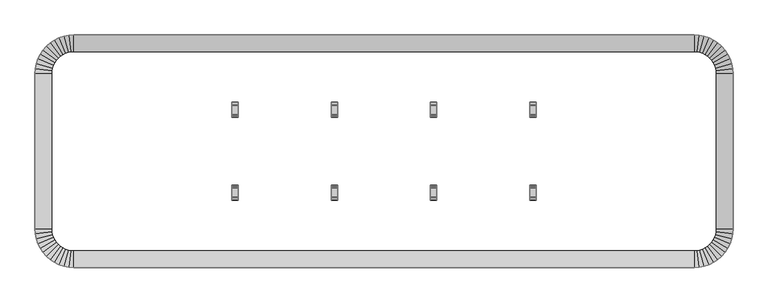
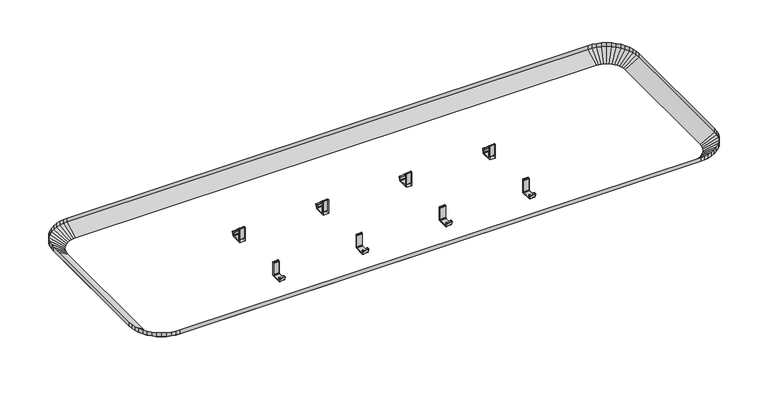
"""IFC4 building model written with IfcOpenShell, lengths in millimetres: furniture geometry."""

from ifc_helpers import new_model, si_unit, origin, place, context, project, spatial, triangles, source, transform, mapped, element, save


def furniture_05697d61(model_context):
    return source(origin(), model_context, "Body", "Tessellation", [
        triangles([(1727.1999516, -43.9940897, 1028.7), (1727.1999516, 0.0, 1054.0999758), (101.600003, 0.0, 1054.0999758), (101.600003, -43.9940897, 1028.7), (101.600003, -565.6059194, 1028.7), (101.600003, -609.6, 1054.0999758), (1727.1999516, -609.6, 1054.0999758), (1727.1999516, -565.6059194, 1028.7), (43.9940897, -101.600003, 1028.7), (0.0, -101.600003, 1054.0999758), (0.0, -507.9999879, 1054.0999758), (43.9940897, -507.9999879, 1028.7), (44.4869148, -515.5190784, 1028.7), (0.8692021, -521.2614604, 1054.0999758), (3.4619361, -534.2960209, 1054.0999758), (45.956965, -522.9095066, 1028.7), (48.3790782, -530.0448269, 1028.7), (7.7338393, -546.8806452, 1054.0999758), (13.611819, -558.8000121, 1054.0999758), (51.711819, -536.8029536, 1028.7), (55.8981596, -543.0682689, 1028.7), (20.9953005, -569.8501734, 1054.0999758), (29.7579515, -579.8420417, 1054.0999758), (60.8664701, -548.7335117, 1028.7), (66.5317448, -553.7018495, 1028.7), (39.7498402, -588.6046972, 1054.0999758), (50.8000015, -595.9881855, 1054.0999758), (72.7970464, -557.8881855, 1028.7), (79.5551731, -561.2209036, 1028.7), (62.7193639, -601.8661697, 1054.0999758), (75.3039837, -606.1380747, 1054.0999758), (86.6904934, -563.6430305, 1028.7), (88.3385396, -608.7307943, 1054.0999758), (94.0809216, -565.1130715, 1028.7), (0.8692021, -88.3385396, 1054.0999758), (44.4869148, -94.0809216, 1028.7), (45.956965, -86.6904934, 1028.7), (3.4619361, -75.3039837, 1054.0999758), (7.7338393, -62.7193639, 1054.0999758), (48.3790782, -79.5551731, 1028.7), (51.711819, -72.7970464, 1028.7), (13.611819, -50.8000015, 1054.0999758), (20.9953005, -39.7498402, 1054.0999758), (55.8981596, -66.5317448, 1028.7), (60.8664701, -60.8664701, 1028.7), (29.7579515, -29.7579515, 1054.0999758), (39.7498402, -20.9953005, 1054.0999758), (66.5317448, -55.8981596, 1028.7), (72.7970464, -51.711819, 1028.7), (50.8000015, -13.611819, 1054.0999758), (62.7193639, -7.7338393, 1054.0999758), (79.5551731, -48.3790782, 1028.7), (86.6904934, -45.956965, 1028.7), (75.3039837, -3.4619361, 1054.0999758), (88.3385396, -0.8692021, 1054.0999758), (94.0809216, -44.4869148, 1028.7), (1784.805883, -507.9999879, 1028.7), (1828.8, -507.9999879, 1054.0999758), (1828.8, -101.600003, 1054.0999758), (1784.805883, -101.600003, 1028.7), (1827.930867, -521.2614604, 1054.0999758), (1784.3130352, -515.5190784, 1028.7), (1782.8430668, -522.9095066, 1028.7), (1825.338002, -534.2960209, 1054.0999758), (1821.0661697, -546.8806452, 1054.0999758), (1780.4209763, -530.0448269, 1028.7), (1777.0881855, -536.8029536, 1028.7), (1815.1881855, -558.8000121, 1054.0999758), (1807.8047699, -569.8501734, 1054.0999758), (1772.9018131, -543.0682689, 1028.7), (1767.9335117, -548.7335117, 1028.7), (1799.042078, -579.8420417, 1054.0999758), (1789.0501007, -588.6046972, 1054.0999758), (1762.2683052, -553.7018495, 1028.7), (1756.00299, -557.8881855, 1028.7), (1778.0000484, -595.9881855, 1054.0999758), (1766.0805725, -601.8661697, 1054.0999758), (1749.2448269, -561.2209036, 1028.7), (1742.1095066, -563.6430305, 1028.7), (1753.4960209, -606.1380747, 1054.0999758), (1740.4614967, -608.7307943, 1054.0999758), (1734.7191147, -565.1130715, 1028.7), (1784.3130352, -94.0809216, 1028.7), (1827.930867, -88.3385396, 1054.0999758), (1782.8430668, -86.6904934, 1028.7), (1825.338002, -75.3039837, 1054.0999758), (1780.4209763, -79.5551731, 1028.7), (1821.0661697, -62.7193639, 1054.0999758), (1777.0881855, -72.7970464, 1028.7), (1815.1881855, -50.8000015, 1054.0999758), (1772.9018131, -66.5317448, 1028.7), (1807.8047699, -39.7498402, 1054.0999758), (1767.9335117, -60.8664701, 1028.7), (1799.042078, -29.7579515, 1054.0999758), (1762.2683052, -55.8981596, 1028.7), (1789.0501007, -20.9953005, 1054.0999758), (1756.00299, -51.711819, 1028.7), (1778.0000484, -13.611819, 1054.0999758), (1749.2448269, -48.3790782, 1028.7), (1766.0805725, -7.7338393, 1054.0999758), (1742.1095066, -45.956965, 1028.7), (1753.4960209, -3.4619361, 1054.0999758), (1734.7191147, -44.4869148, 1028.7), (1740.4614967, -0.8692021, 1054.0999758)], [[1, 2, 3], [1, 3, 4], [5, 6, 7], [5, 7, 8], [9, 10, 11], [9, 11, 12], [11, 12, 13], [11, 13, 14], [13, 14, 15], [13, 15, 16], [15, 16, 17], [15, 17, 18], [17, 18, 19], [17, 19, 20], [19, 20, 21], [19, 21, 22], [21, 22, 23], [21, 23, 24], [23, 24, 25], [23, 25, 26], [25, 26, 27], [25, 27, 28], [27, 28, 29], [27, 29, 30], [29, 30, 31], [29, 31, 32], [31, 32, 33], [32, 34, 33], [34, 33, 6], [34, 6, 5], [35, 36, 10], [36, 9, 10], [37, 38, 35], [37, 35, 36], [39, 40, 38], [40, 37, 38], [41, 42, 39], [41, 39, 40], [43, 44, 41], [43, 41, 42], [45, 46, 43], [45, 43, 44], [47, 48, 45], [47, 45, 46], [49, 50, 47], [49, 47, 48], [51, 52, 49], [51, 49, 50], [53, 54, 51], [53, 51, 52], [55, 56, 53], [55, 53, 54], [4, 3, 56], [3, 55, 56], [57, 58, 59], [57, 59, 60], [61, 62, 57], [61, 57, 58], [63, 64, 61], [63, 61, 62], [65, 66, 63], [65, 63, 64], [67, 68, 65], [67, 65, 66], [69, 70, 67], [69, 67, 68], [71, 72, 69], [71, 69, 70], [73, 74, 71], [73, 71, 72], [75, 76, 73], [75, 73, 74], [77, 78, 75], [77, 75, 76], [79, 80, 77], [79, 77, 78], [81, 82, 79], [81, 79, 80], [8, 7, 81], [8, 81, 82], [59, 60, 83], [59, 83, 84], [83, 84, 85], [84, 86, 85], [86, 85, 87], [86, 87, 88], [87, 88, 89], [88, 90, 89], [90, 89, 91], [90, 91, 92], [91, 92, 93], [92, 94, 93], [94, 93, 95], [94, 95, 96], [95, 96, 97], [96, 98, 97], [98, 97, 99], [98, 99, 100], [99, 100, 101], [100, 102, 101], [102, 101, 103], [102, 103, 104], [103, 104, 1], [104, 2, 1]], closed=False),
        triangles([(101.600003, -609.6, 1066.8), (101.600003, -609.6, 1054.0999758), (1727.1999516, -609.6, 1054.0999758), (1727.1999516, -609.6, 1066.8), (101.600003, 0.0, 1066.8), (101.600003, 0.0, 1054.0999758), (1727.1999516, 0.0, 1054.0999758), (1727.1999516, 0.0, 1066.8), (0.0, -101.600003, 1066.8), (0.0, -101.600003, 1054.0999758), (0.0, -507.9999879, 1054.0999758), (0.0, -507.9999879, 1066.8), (0.8692021, -521.2614604, 1066.8), (0.8692021, -521.2614604, 1054.0999758), (3.4619361, -534.2960209, 1066.8), (3.4619361, -534.2960209, 1054.0999758), (7.7338393, -546.8806452, 1066.8), (7.7338393, -546.8806452, 1054.0999758), (13.611819, -558.8000121, 1066.8), (13.611819, -558.8000121, 1054.0999758), (20.9953005, -569.8501734, 1066.8), (20.9953005, -569.8501734, 1054.0999758), (29.7579515, -579.8420417, 1066.8), (29.7579515, -579.8420417, 1054.0999758), (39.7498402, -588.6046972, 1066.8), (39.7498402, -588.6046972, 1054.0999758), (50.8000015, -595.9881855, 1066.8), (50.8000015, -595.9881855, 1054.0999758), (62.7193639, -601.8661697, 1066.8), (62.7193639, -601.8661697, 1054.0999758), (75.3039837, -606.1380747, 1066.8), (75.3039837, -606.1380747, 1054.0999758), (88.3385396, -608.7307943, 1066.8), (88.3385396, -608.7307943, 1054.0999758), (0.8692021, -88.3385396, 1066.8), (0.8692021, -88.3385396, 1054.0999758), (3.4619361, -75.3039837, 1054.0999758), (3.4619361, -75.3039837, 1066.8), (7.7338393, -62.7193639, 1066.8), (7.7338393, -62.7193639, 1054.0999758), (13.611819, -50.8000015, 1054.0999758), (13.611819, -50.8000015, 1066.8), (20.9953005, -39.7498402, 1066.8), (20.9953005, -39.7498402, 1054.0999758), (29.7579515, -29.7579515, 1054.0999758), (29.7579515, -29.7579515, 1066.8), (39.7498402, -20.9953005, 1066.8), (39.7498402, -20.9953005, 1054.0999758), (50.8000015, -13.611819, 1054.0999758), (50.8000015, -13.611819, 1066.8), (62.7193639, -7.7338393, 1066.8), (62.7193639, -7.7338393, 1054.0999758), (75.3039837, -3.4619361, 1054.0999758), (75.3039837, -3.4619361, 1066.8), (88.3385396, -0.8692021, 1066.8), (88.3385396, -0.8692021, 1054.0999758), (1828.8, -507.9999879, 1066.8), (1828.8, -507.9999879, 1054.0999758), (1828.8, -101.600003, 1054.0999758), (1828.8, -101.600003, 1066.8), (1827.930867, -521.2614604, 1066.8), (1827.930867, -521.2614604, 1054.0999758), (1825.338002, -534.2960209, 1054.0999758), (1825.338002, -534.2960209, 1066.8), (1821.0661697, -546.8806452, 1066.8), (1821.0661697, -546.8806452, 1054.0999758), (1815.1881855, -558.8000121, 1054.0999758), (1815.1881855, -558.8000121, 1066.8), (1807.8047699, -569.8501734, 1066.8), (1807.8047699, -569.8501734, 1054.0999758), (1799.042078, -579.8420417, 1054.0999758), (1799.042078, -579.8420417, 1066.8), (1789.0501007, -588.6046972, 1066.8), (1789.0501007, -588.6046972, 1054.0999758), (1778.0000484, -595.9881855, 1054.0999758), (1778.0000484, -595.9881855, 1066.8), (1766.0805725, -601.8661697, 1066.8), (1766.0805725, -601.8661697, 1054.0999758), (1753.4960209, -606.1380747, 1054.0999758), (1753.4960209, -606.1380747, 1066.8), (1740.4614967, -608.7307943, 1066.8), (1740.4614967, -608.7307943, 1054.0999758), (1827.930867, -88.3385396, 1054.0999758), (1827.930867, -88.3385396, 1066.8), (1825.338002, -75.3039837, 1066.8), (1825.338002, -75.3039837, 1054.0999758), (1821.0661697, -62.7193639, 1054.0999758), (1821.0661697, -62.7193639, 1066.8), (1815.1881855, -50.8000015, 1066.8), (1815.1881855, -50.8000015, 1054.0999758), (1807.8047699, -39.7498402, 1054.0999758), (1807.8047699, -39.7498402, 1066.8), (1799.042078, -29.7579515, 1054.0999758), (1799.042078, -29.7579515, 1066.8), (1789.0501007, -20.9953005, 1054.0999758), (1789.0501007, -20.9953005, 1066.8), (1778.0000484, -13.611819, 1054.0999758), (1778.0000484, -13.611819, 1066.8), (1766.0805725, -7.7338393, 1054.0999758), (1766.0805725, -7.7338393, 1066.8), (1753.4960209, -3.4619361, 1054.0999758), (1753.4960209, -3.4619361, 1066.8), (1740.4614967, -0.8692021, 1054.0999758), (1740.4614967, -0.8692021, 1066.8)], [[1, 2, 3], [1, 3, 4], [5, 6, 7], [5, 7, 8], [9, 10, 11], [9, 11, 12], [12, 11, 13], [11, 14, 13], [14, 13, 15], [14, 15, 16], [15, 16, 17], [16, 18, 17], [18, 17, 19], [18, 19, 20], [19, 20, 21], [20, 22, 21], [22, 21, 23], [22, 23, 24], [23, 24, 25], [24, 26, 25], [26, 25, 27], [26, 27, 28], [27, 28, 29], [28, 30, 29], [30, 29, 31], [30, 31, 32], [31, 32, 33], [32, 34, 33], [34, 33, 1], [34, 1, 2], [35, 36, 9], [36, 10, 9], [37, 38, 35], [37, 35, 36], [39, 40, 38], [40, 37, 38], [41, 42, 39], [41, 39, 40], [43, 44, 42], [44, 41, 42], [45, 46, 43], [45, 43, 44], [47, 48, 45], [47, 45, 46], [49, 50, 47], [49, 47, 48], [51, 52, 49], [51, 49, 50], [53, 54, 51], [53, 51, 52], [55, 56, 53], [55, 53, 54], [6, 5, 55], [6, 55, 56], [57, 58, 59], [57, 59, 60], [61, 62, 58], [61, 58, 57], [63, 64, 61], [63, 61, 62], [65, 66, 64], [66, 63, 64], [67, 68, 65], [67, 65, 66], [69, 70, 68], [70, 67, 68], [71, 72, 69], [71, 69, 70], [73, 74, 72], [74, 71, 72], [75, 76, 73], [75, 73, 74], [77, 78, 75], [77, 75, 76], [79, 80, 77], [79, 77, 78], [81, 82, 79], [81, 79, 80], [3, 4, 81], [3, 81, 82], [60, 59, 83], [60, 83, 84], [83, 84, 85], [83, 85, 86], [85, 86, 87], [85, 87, 88], [87, 88, 89], [87, 89, 90], [89, 90, 91], [89, 91, 92], [91, 92, 93], [92, 94, 93], [94, 93, 95], [94, 95, 96], [95, 96, 97], [96, 98, 97], [98, 97, 99], [98, 99, 100], [99, 100, 101], [100, 102, 101], [102, 101, 103], [102, 103, 104], [103, 104, 7], [104, 8, 7]], closed=False),
        triangles([(532.3665965, -393.8723974, 971.2705839), (532.3665965, -428.3354101, 971.2705839), (515.3666167, -393.8723974, 971.2705839), (515.3666167, -428.3354101, 971.2705839), (532.3665965, -429.0530262, 971.7762943), (532.3665965, -433.5087135, 984.252277), (515.3666167, -433.5087135, 984.252277), (515.3666167, -429.0530262, 971.7762943), (515.3666167, -428.7743368, 971.4097469), (532.3665965, -428.7743368, 971.4097469), (532.3665965, -393.8723974, 1016.2705988), (515.3666167, -393.8723974, 1016.2705988), (515.3666167, -396.4911329, 1016.2705988), (532.3665965, -396.4911329, 1016.2705988), (532.3665965, -398.8723829, 1013.8893488), (515.3666167, -398.8723829, 1013.8893488), (515.3666167, -398.8723829, 977.6582027), (532.3665965, -398.8723829, 977.6582027), (515.3666167, -427.6343991, 985.2706015), (515.3666167, -432.7911338, 985.2706015), (532.3665965, -432.7911338, 985.2706015), (532.3665965, -427.6343991, 985.2706015), (532.3665965, -401.2599916, 975.2706305), (515.3666167, -401.2599916, 975.2706305), (532.3665965, -424.4848094, 975.2706305), (515.3666167, -424.4848094, 975.2706305), (532.3665965, -426.872418, 984.508584), (515.3666167, -426.872418, 984.508584), (515.3666167, -426.872418, 977.6582027), (532.3665965, -426.872418, 977.6582027), (515.3666167, -397.4024145, 1016.0893599), (532.3665965, -397.4024145, 1016.0893599), (515.3666167, -398.1749328, 1015.5731123), (532.3665965, -398.1749328, 1015.5731123), (515.3666167, -398.691144, 1014.8006304), (532.3665965, -398.691144, 1014.8006304), (515.3666167, -399.0541306, 976.744523), (532.3665965, -399.0541306, 976.744523), (515.3666167, -399.5717225, 975.9699337), (532.3665965, -399.5717225, 975.9699337), (515.3666167, -400.3463119, 975.4523781), (532.3665965, -400.3463119, 975.4523781), (515.3666167, -426.6906704, 976.744523), (532.3665965, -426.6906704, 976.744523), (515.3666167, -426.1730784, 975.9699337), (532.3665965, -426.1730784, 975.9699337), (515.3666167, -425.3984891, 975.4523781), (532.3665965, -425.3984891, 975.4523781), (515.3666167, -433.1419481, 985.1850689), (532.3665965, -433.1419481, 985.1850689), (515.3666167, -433.4139882, 984.9475834), (532.3665965, -433.4139882, 984.9475834), (515.3666167, -433.5461386, 984.6114847), (532.3665965, -433.5461386, 984.6114847), (515.3666167, -426.974483, 984.8895927), (515.3666167, -427.2533904, 985.1685001), (532.3665965, -426.974483, 984.8895927), (532.3665965, -427.2533904, 985.1685001), (792.7165844, -393.8723974, 971.2705839), (792.7165844, -428.3354101, 971.2705839), (775.7166046, -393.8723974, 971.2705839), (775.7166046, -428.3354101, 971.2705839), (792.7165844, -429.0530262, 971.7762943), (792.7165844, -433.5087135, 984.252277), (775.7166046, -433.5087135, 984.252277), (775.7166046, -429.0530262, 971.7762943), (775.7166046, -428.7743368, 971.4097469), (792.7165844, -428.7743368, 971.4097469), (792.7165844, -393.8723974, 1016.2705988), (775.7166046, -393.8723974, 1016.2705988), (775.7166046, -396.4911329, 1016.2705988), (792.7165844, -396.4911329, 1016.2705988), (792.7165844, -398.8723829, 1013.8893488), (775.7166046, -398.8723829, 1013.8893488), (775.7166046, -398.8723829, 977.6582027), (792.7165844, -398.8723829, 977.6582027), (775.7166046, -427.6343991, 985.2706015), (775.7166046, -432.7911338, 985.2706015), (792.7165844, -432.7911338, 985.2706015), (792.7165844, -427.6343991, 985.2706015), (792.7165844, -401.2599916, 975.2706305), (775.7166046, -401.2599916, 975.2706305), (792.7165844, -424.4848094, 975.2706305), (775.7166046, -424.4848094, 975.2706305), (792.7165844, -426.872418, 984.508584), (775.7166046, -426.872418, 984.508584), (775.7166046, -426.872418, 977.6582027), (792.7165844, -426.872418, 977.6582027), (775.7166046, -397.4024145, 1016.0893599), (792.7165844, -397.4024145, 1016.0893599), (775.7166046, -398.1749328, 1015.5731123), (792.7165844, -398.1749328, 1015.5731123), (775.7166046, -398.691144, 1014.8006304), (792.7165844, -398.691144, 1014.8006304), (775.7166046, -399.0541306, 976.744523), (792.7165844, -399.0541306, 976.744523), (775.7166046, -399.5717225, 975.9699337), (792.7165844, -399.5717225, 975.9699337), (775.7166046, -400.3463119, 975.4523781), (792.7165844, -400.3463119, 975.4523781), (775.7166046, -426.6906704, 976.744523), (792.7165844, -426.6906704, 976.744523), (775.7166046, -426.1730784, 975.9699337), (792.7165844, -426.1730784, 975.9699337), (775.7166046, -425.3984891, 975.4523781), (792.7165844, -425.3984891, 975.4523781), (775.7166046, -433.1419481, 985.1850689), (792.7165844, -433.1419481, 985.1850689), (775.7166046, -433.4139882, 984.9475834), (792.7165844, -433.4139882, 984.9475834), (775.7166046, -433.5461386, 984.6114847), (792.7165844, -433.5461386, 984.6114847), (775.7166046, -426.974483, 984.8895927), (775.7166046, -427.2533904, 985.1685001), (792.7165844, -426.974483, 984.8895927), (792.7165844, -427.2533904, 985.1685001), (1053.0666086, -393.8723974, 971.2705839), (1053.0666086, -428.3354101, 971.2705839), (1036.0666288, -393.8723974, 971.2705839), (1036.0666288, -428.3354101, 971.2705839), (1053.0666086, -429.0530262, 971.7762943), (1053.0666086, -433.5087135, 984.252277), (1036.0666288, -433.5087135, 984.252277), (1036.0666288, -429.0530262, 971.7762943), (1036.0666288, -428.7743368, 971.4097469), (1053.0666086, -428.7743368, 971.4097469), (1053.0666086, -393.8723974, 1016.2705988), (1036.0666288, -393.8723974, 1016.2705988), (1036.0666288, -396.4911329, 1016.2705988), (1053.0666086, -396.4911329, 1016.2705988), (1053.0666086, -398.8723829, 1013.8893488), (1036.0666288, -398.8723829, 1013.8893488), (1036.0666288, -398.8723829, 977.6582027), (1053.0666086, -398.8723829, 977.6582027), (1036.0666288, -427.6343991, 985.2706015), (1036.0666288, -432.7911338, 985.2706015), (1053.0666086, -432.7911338, 985.2706015), (1053.0666086, -427.6343991, 985.2706015), (1053.0666086, -401.2599916, 975.2706305), (1036.0666288, -401.2599916, 975.2706305), (1053.0666086, -424.4848094, 975.2706305), (1036.0666288, -424.4848094, 975.2706305), (1053.0666086, -426.872418, 984.508584), (1036.0666288, -426.872418, 984.508584), (1036.0666288, -426.872418, 977.6582027), (1053.0666086, -426.872418, 977.6582027), (1036.0666288, -397.4024145, 1016.0893599), (1053.0666086, -397.4024145, 1016.0893599), (1036.0666288, -398.1749328, 1015.5731123), (1053.0666086, -398.1749328, 1015.5731123), (1036.0666288, -398.691144, 1014.8006304), (1053.0666086, -398.691144, 1014.8006304), (1036.0666288, -399.0541306, 976.744523), (1053.0666086, -399.0541306, 976.744523), (1036.0666288, -399.5717225, 975.9699337), (1053.0666086, -399.5717225, 975.9699337), (1036.0666288, -400.3463119, 975.4523781), (1053.0666086, -400.3463119, 975.4523781), (1036.0666288, -426.6906704, 976.744523), (1053.0666086, -426.6906704, 976.744523), (1036.0666288, -426.1730784, 975.9699337), (1053.0666086, -426.1730784, 975.9699337), (1036.0666288, -425.3984891, 975.4523781), (1053.0666086, -425.3984891, 975.4523781), (1036.0666288, -433.1419481, 985.1850689), (1053.0666086, -433.1419481, 985.1850689), (1036.0666288, -433.4139882, 984.9475834), (1053.0666086, -433.4139882, 984.9475834), (1036.0666288, -433.5461386, 984.6114847), (1053.0666086, -433.5461386, 984.6114847), (1036.0666288, -426.974483, 984.8895927), (1036.0666288, -427.2533904, 985.1685001), (1053.0666086, -426.974483, 984.8895927), (1053.0666086, -427.2533904, 985.1685001), (1313.4166328, -393.8723974, 971.2705839), (1313.4166328, -428.3354101, 971.2705839), (1296.4166531, -393.8723974, 971.2705839), (1296.4166531, -428.3354101, 971.2705839), (1313.4166328, -429.0530262, 971.7762943), (1313.4166328, -433.5087135, 984.252277), (1296.4166531, -433.5087135, 984.252277), (1296.4166531, -429.0530262, 971.7762943), (1296.4166531, -428.7743368, 971.4097469), (1313.4166328, -428.7743368, 971.4097469), (1313.4166328, -393.8723974, 1016.2705988), (1296.4166531, -393.8723974, 1016.2705988), (1296.4166531, -396.4911329, 1016.2705988), (1313.4166328, -396.4911329, 1016.2705988), (1313.4166328, -398.8723829, 1013.8893488), (1296.4166531, -398.8723829, 1013.8893488), (1296.4166531, -398.8723829, 977.6582027), (1313.4166328, -398.8723829, 977.6582027), (1296.4166531, -427.6343991, 985.2706015), (1296.4166531, -432.7911338, 985.2706015), (1313.4166328, -432.7911338, 985.2706015), (1313.4166328, -427.6343991, 985.2706015), (1313.4166328, -401.2599916, 975.2706305), (1296.4166531, -401.2599916, 975.2706305), (1313.4166328, -424.4848094, 975.2706305), (1296.4166531, -424.4848094, 975.2706305), (1313.4166328, -426.872418, 984.508584), (1296.4166531, -426.872418, 984.508584), (1296.4166531, -426.872418, 977.6582027), (1313.4166328, -426.872418, 977.6582027), (1296.4166531, -397.4024145, 1016.0893599), (1313.4166328, -397.4024145, 1016.0893599), (1296.4166531, -398.1749328, 1015.5731123), (1313.4166328, -398.1749328, 1015.5731123), (1296.4166531, -398.691144, 1014.8006304), (1313.4166328, -398.691144, 1014.8006304), (1296.4166531, -399.0541306, 976.744523), (1313.4166328, -399.0541306, 976.744523), (1296.4166531, -399.5717225, 975.9699337), (1313.4166328, -399.5717225, 975.9699337), (1296.4166531, -400.3463119, 975.4523781), (1313.4166328, -400.3463119, 975.4523781), (1296.4166531, -426.6906704, 976.744523), (1313.4166328, -426.6906704, 976.744523), (1296.4166531, -426.1730784, 975.9699337), (1313.4166328, -426.1730784, 975.9699337), (1296.4166531, -425.3984891, 975.4523781), (1313.4166328, -425.3984891, 975.4523781), (1296.4166531, -433.1419481, 985.1850689), (1313.4166328, -433.1419481, 985.1850689), (1296.4166531, -433.4139882, 984.9475834), (1313.4166328, -433.4139882, 984.9475834), (1296.4166531, -433.5461386, 984.6114847), (1313.4166328, -433.5461386, 984.6114847), (1296.4166531, -426.974483, 984.8895927), (1296.4166531, -427.2533904, 985.1685001), (1313.4166328, -426.974483, 984.8895927), (1313.4166328, -427.2533904, 985.1685001), (515.3666167, -215.7276026, 971.2705839), (515.3666167, -181.2645899, 971.2705839), (532.3665965, -181.2645899, 971.2705839), (532.3665965, -215.7276026, 971.2705839), (515.3666167, -180.546992, 971.7762943), (515.3666167, -176.0912683, 984.252277), (532.3665965, -176.0912683, 984.252277), (532.3665965, -180.546992, 971.7762943), (532.3665965, -180.825645, 971.4097469), (515.3666167, -180.825645, 971.4097469), (532.3665965, -213.1088489, 1016.2705988), (515.3666167, -213.1088489, 1016.2705988), (515.3666167, -215.7276026, 1016.2705988), (532.3665965, -215.7276026, 1016.2705988), (532.3665965, -210.7275989, 977.6582027), (515.3666167, -210.7275989, 977.6582027), (532.3665965, -210.7275989, 1013.8893488), (515.3666167, -210.7275989, 1013.8893488), (532.3665965, -181.9656009, 985.2706015), (532.3665965, -176.8088844, 985.2706015), (515.3666167, -176.8088844, 985.2706015), (515.3666167, -181.9656009, 985.2706015), (532.3665965, -185.1152088, 975.2706305), (515.3666167, -185.1152088, 975.2706305), (532.3665965, -208.3400084, 975.2706305), (515.3666167, -208.3400084, 975.2706305), (532.3665965, -182.7276001, 977.6582027), (515.3666167, -182.7276001, 977.6582027), (515.3666167, -182.7276001, 984.508584), (532.3665965, -182.7276001, 984.508584), (532.3665965, -212.1975855, 1016.0893599), (515.3666167, -212.1975855, 1016.0893599), (515.3666167, -211.4250491, 1015.5731123), (532.3665965, -211.4250491, 1015.5731123), (532.3665965, -210.908856, 1014.8006304), (515.3666167, -210.908856, 1014.8006304), (532.3665965, -210.5458513, 976.744523), (515.3666167, -210.5458513, 976.744523), (515.3666167, -210.0282957, 975.9699337), (532.3665965, -210.0282957, 975.9699337), (532.3665965, -209.2536881, 975.4523781), (515.3666167, -209.2536881, 975.4523781), (532.3665965, -182.9093478, 976.744523), (515.3666167, -182.9093478, 976.744523), (515.3666167, -183.4269034, 975.9699337), (532.3665965, -183.4269034, 975.9699337), (532.3665965, -184.2015109, 975.4523781), (515.3666167, -184.2015109, 975.4523781), (532.3665965, -176.4580519, 985.1850689), (515.3666167, -176.4580519, 985.1850689), (515.3666167, -176.1860118, 984.9475834), (532.3665965, -176.1860118, 984.9475834), (532.3665965, -176.0538614, 984.6114847), (515.3666167, -176.0538614, 984.6114847), (515.3666167, -182.625517, 984.8895927), (515.3666167, -182.3465914, 985.1685001), (532.3665965, -182.625517, 984.8895927), (532.3665965, -182.3465914, 985.1685001), (775.7166046, -215.7276026, 971.2705839), (775.7166046, -181.2645899, 971.2705839), (792.7165844, -181.2645899, 971.2705839), (792.7165844, -215.7276026, 971.2705839), (775.7166046, -180.546992, 971.7762943), (775.7166046, -176.0912683, 984.252277), (792.7165844, -176.0912683, 984.252277), (792.7165844, -180.546992, 971.7762943), (792.7165844, -180.825645, 971.4097469), (775.7166046, -180.825645, 971.4097469), (792.7165844, -213.1088489, 1016.2705988), (775.7166046, -213.1088489, 1016.2705988), (775.7166046, -215.7276026, 1016.2705988), (792.7165844, -215.7276026, 1016.2705988), (792.7165844, -210.7275989, 977.6582027), (775.7166046, -210.7275989, 977.6582027), (792.7165844, -210.7275989, 1013.8893488), (775.7166046, -210.7275989, 1013.8893488), (792.7165844, -181.9656009, 985.2706015), (792.7165844, -176.8088844, 985.2706015), (775.7166046, -176.8088844, 985.2706015), (775.7166046, -181.9656009, 985.2706015), (792.7165844, -185.1152088, 975.2706305), (775.7166046, -185.1152088, 975.2706305), (792.7165844, -208.3400084, 975.2706305), (775.7166046, -208.3400084, 975.2706305), (792.7165844, -182.7276001, 977.6582027), (775.7166046, -182.7276001, 977.6582027), (775.7166046, -182.7276001, 984.508584), (792.7165844, -182.7276001, 984.508584), (792.7165844, -212.1975855, 1016.0893599), (775.7166046, -212.1975855, 1016.0893599), (775.7166046, -211.4250491, 1015.5731123), (792.7165844, -211.4250491, 1015.5731123), (792.7165844, -210.908856, 1014.8006304), (775.7166046, -210.908856, 1014.8006304), (792.7165844, -210.5458513, 976.744523), (775.7166046, -210.5458513, 976.744523), (775.7166046, -210.0282957, 975.9699337), (792.7165844, -210.0282957, 975.9699337), (792.7165844, -209.2536881, 975.4523781), (775.7166046, -209.2536881, 975.4523781), (792.7165844, -182.9093478, 976.744523), (775.7166046, -182.9093478, 976.744523), (775.7166046, -183.4269034, 975.9699337), (792.7165844, -183.4269034, 975.9699337), (792.7165844, -184.2015109, 975.4523781), (775.7166046, -184.2015109, 975.4523781), (792.7165844, -176.4580519, 985.1850689), (775.7166046, -176.4580519, 985.1850689), (775.7166046, -176.1860118, 984.9475834), (792.7165844, -176.1860118, 984.9475834), (792.7165844, -176.0538614, 984.6114847), (775.7166046, -176.0538614, 984.6114847), (775.7166046, -182.625517, 984.8895927), (775.7166046, -182.3465914, 985.1685001), (792.7165844, -182.625517, 984.8895927), (792.7165844, -182.3465914, 985.1685001), (1036.0666288, -215.7276026, 971.2705839), (1036.0666288, -181.2645899, 971.2705839), (1053.0666086, -181.2645899, 971.2705839), (1053.0666086, -215.7276026, 971.2705839), (1036.0666288, -180.546992, 971.7762943), (1036.0666288, -176.0912683, 984.252277), (1053.0666086, -176.0912683, 984.252277), (1053.0666086, -180.546992, 971.7762943), (1053.0666086, -180.825645, 971.4097469), (1036.0666288, -180.825645, 971.4097469), (1053.0666086, -213.1088489, 1016.2705988), (1036.0666288, -213.1088489, 1016.2705988), (1036.0666288, -215.7276026, 1016.2705988), (1053.0666086, -215.7276026, 1016.2705988), (1053.0666086, -210.7275989, 977.6582027), (1036.0666288, -210.7275989, 977.6582027), (1053.0666086, -210.7275989, 1013.8893488), (1036.0666288, -210.7275989, 1013.8893488), (1053.0666086, -181.9656009, 985.2706015), (1053.0666086, -176.8088844, 985.2706015), (1036.0666288, -176.8088844, 985.2706015), (1036.0666288, -181.9656009, 985.2706015), (1053.0666086, -185.1152088, 975.2706305), (1036.0666288, -185.1152088, 975.2706305), (1053.0666086, -208.3400084, 975.2706305), (1036.0666288, -208.3400084, 975.2706305), (1053.0666086, -182.7276001, 977.6582027), (1036.0666288, -182.7276001, 977.6582027), (1036.0666288, -182.7276001, 984.508584), (1053.0666086, -182.7276001, 984.508584), (1053.0666086, -212.1975855, 1016.0893599), (1036.0666288, -212.1975855, 1016.0893599), (1036.0666288, -211.4250491, 1015.5731123), (1053.0666086, -211.4250491, 1015.5731123), (1053.0666086, -210.908856, 1014.8006304), (1036.0666288, -210.908856, 1014.8006304), (1053.0666086, -210.5458513, 976.744523), (1036.0666288, -210.5458513, 976.744523), (1036.0666288, -210.0282957, 975.9699337), (1053.0666086, -210.0282957, 975.9699337), (1053.0666086, -209.2536881, 975.4523781), (1036.0666288, -209.2536881, 975.4523781), (1053.0666086, -182.9093478, 976.744523), (1036.0666288, -182.9093478, 976.744523), (1036.0666288, -183.4269034, 975.9699337), (1053.0666086, -183.4269034, 975.9699337), (1053.0666086, -184.2015109, 975.4523781), (1036.0666288, -184.2015109, 975.4523781), (1053.0666086, -176.4580519, 985.1850689), (1036.0666288, -176.4580519, 985.1850689), (1036.0666288, -176.1860118, 984.9475834), (1053.0666086, -176.1860118, 984.9475834), (1053.0666086, -176.0538614, 984.6114847), (1036.0666288, -176.0538614, 984.6114847), (1036.0666288, -182.625517, 984.8895927), (1036.0666288, -182.3465914, 985.1685001), (1053.0666086, -182.625517, 984.8895927), (1053.0666086, -182.3465914, 985.1685001), (1296.4166531, -215.7276026, 971.2705839), (1296.4166531, -181.2645899, 971.2705839), (1313.4166328, -181.2645899, 971.2705839), (1313.4166328, -215.7276026, 971.2705839), (1296.4166531, -180.546992, 971.7762943), (1296.4166531, -176.0912683, 984.252277), (1313.4166328, -176.0912683, 984.252277), (1313.4166328, -180.546992, 971.7762943), (1313.4166328, -180.825645, 971.4097469), (1296.4166531, -180.825645, 971.4097469), (1313.4166328, -213.1088489, 1016.2705988), (1296.4166531, -213.1088489, 1016.2705988), (1296.4166531, -215.7276026, 1016.2705988), (1313.4166328, -215.7276026, 1016.2705988), (1313.4166328, -210.7275989, 977.6582027), (1296.4166531, -210.7275989, 977.6582027), (1313.4166328, -210.7275989, 1013.8893488), (1296.4166531, -210.7275989, 1013.8893488), (1313.4166328, -181.9656009, 985.2706015), (1313.4166328, -176.8088844, 985.2706015), (1296.4166531, -176.8088844, 985.2706015), (1296.4166531, -181.9656009, 985.2706015), (1313.4166328, -185.1152088, 975.2706305), (1296.4166531, -185.1152088, 975.2706305), (1313.4166328, -208.3400084, 975.2706305), (1296.4166531, -208.3400084, 975.2706305), (1313.4166328, -182.7276001, 977.6582027), (1296.4166531, -182.7276001, 977.6582027), (1296.4166531, -182.7276001, 984.508584), (1313.4166328, -182.7276001, 984.508584), (1313.4166328, -212.1975855, 1016.0893599), (1296.4166531, -212.1975855, 1016.0893599), (1296.4166531, -211.4250491, 1015.5731123), (1313.4166328, -211.4250491, 1015.5731123), (1313.4166328, -210.908856, 1014.8006304), (1296.4166531, -210.908856, 1014.8006304), (1313.4166328, -210.5458513, 976.744523), (1296.4166531, -210.5458513, 976.744523), (1296.4166531, -210.0282957, 975.9699337), (1313.4166328, -210.0282957, 975.9699337), (1313.4166328, -209.2536881, 975.4523781), (1296.4166531, -209.2536881, 975.4523781), (1313.4166328, -182.9093478, 976.744523), (1296.4166531, -182.9093478, 976.744523), (1296.4166531, -183.4269034, 975.9699337), (1313.4166328, -183.4269034, 975.9699337), (1313.4166328, -184.2015109, 975.4523781), (1296.4166531, -184.2015109, 975.4523781), (1313.4166328, -176.4580519, 985.1850689), (1296.4166531, -176.4580519, 985.1850689), (1296.4166531, -176.1860118, 984.9475834), (1313.4166328, -176.1860118, 984.9475834), (1313.4166328, -176.0538614, 984.6114847), (1296.4166531, -176.0538614, 984.6114847), (1296.4166531, -182.625517, 984.8895927), (1296.4166531, -182.3465914, 985.1685001), (1313.4166328, -182.625517, 984.8895927), (1313.4166328, -182.3465914, 985.1685001)], [[1, 2, 3], [2, 4, 3], [5, 6, 7], [5, 7, 8], [5, 8, 9], [5, 9, 10], [9, 10, 4], [10, 2, 4], [11, 12, 13], [11, 13, 14], [15, 16, 17], [15, 17, 18], [19, 20, 21], [19, 21, 22], [23, 24, 25], [24, 26, 25], [27, 28, 29], [27, 29, 30], [14, 13, 31], [14, 31, 32], [31, 32, 33], [32, 34, 33], [34, 33, 35], [34, 35, 36], [35, 36, 16], [36, 15, 16], [16, 12, 3], [16, 3, 17], [12, 16, 35], [12, 35, 33], [12, 33, 31], [12, 31, 13], [15, 11, 1], [15, 1, 18], [11, 15, 36], [11, 36, 34], [11, 34, 32], [11, 32, 14], [24, 3, 26], [3, 4, 26], [18, 17, 37], [18, 37, 38], [37, 38, 39], [38, 40, 39], [40, 39, 41], [40, 41, 42], [41, 42, 23], [41, 23, 24], [37, 17, 3], [39, 37, 3], [41, 39, 3], [24, 41, 3], [38, 18, 1], [40, 38, 1], [42, 40, 1], [23, 42, 1], [1, 23, 25], [1, 25, 2], [30, 29, 43], [30, 43, 44], [43, 44, 45], [44, 46, 45], [46, 45, 47], [46, 47, 48], [47, 48, 26], [48, 25, 26], [48, 46, 10], [48, 10, 2], [46, 44, 5], [46, 5, 10], [25, 48, 2], [44, 30, 5], [6, 5, 30], [6, 30, 27], [7, 28, 29], [7, 29, 8], [45, 47, 4], [45, 4, 9], [45, 9, 8], [45, 8, 43], [29, 43, 8], [47, 26, 4], [21, 20, 49], [21, 49, 50], [49, 50, 51], [50, 52, 51], [52, 51, 53], [52, 53, 54], [53, 54, 7], [54, 6, 7], [55, 28, 53], [28, 7, 53], [56, 55, 51], [55, 53, 51], [19, 56, 49], [56, 51, 49], [49, 20, 19], [57, 27, 54], [27, 6, 54], [58, 57, 52], [57, 54, 52], [22, 58, 50], [58, 52, 50], [50, 21, 22], [19, 22, 56], [22, 58, 56], [58, 56, 55], [58, 55, 57], [55, 57, 28], [57, 27, 28], [59, 60, 61], [60, 62, 61], [63, 64, 65], [63, 65, 66], [63, 66, 67], [63, 67, 68], [67, 68, 62], [68, 60, 62], [69, 70, 71], [69, 71, 72], [73, 74, 75], [73, 75, 76], [77, 78, 79], [77, 79, 80], [81, 82, 83], [82, 84, 83], [85, 86, 87], [85, 87, 88], [72, 71, 89], [72, 89, 90], [89, 90, 91], [90, 92, 91], [92, 91, 93], [92, 93, 94], [93, 94, 74], [94, 73, 74], [74, 70, 61], [74, 61, 75], [70, 74, 93], [70, 93, 91], [70, 91, 89], [70, 89, 71], [73, 69, 59], [73, 59, 76], [69, 73, 94], [69, 94, 92], [69, 92, 90], [69, 90, 72], [82, 61, 84], [61, 62, 84], [76, 75, 95], [76, 95, 96], [95, 96, 97], [96, 98, 97], [98, 97, 99], [98, 99, 100], [99, 100, 81], [99, 81, 82], [95, 75, 61], [97, 95, 61], [99, 97, 61], [82, 99, 61], [96, 76, 59], [98, 96, 59], [100, 98, 59], [81, 100, 59], [59, 81, 83], [59, 83, 60], [88, 87, 101], [88, 101, 102], [101, 102, 103], [102, 104, 103], [104, 103, 105], [104, 105, 106], [105, 106, 84], [106, 83, 84], [106, 104, 68], [106, 68, 60], [104, 102, 63], [104, 63, 68], [83, 106, 60], [102, 88, 63], [64, 63, 88], [64, 88, 85], [65, 86, 87], [65, 87, 66], [103, 105, 62], [103, 62, 67], [103, 67, 66], [103, 66, 101], [87, 101, 66], [105, 84, 62], [79, 78, 107], [79, 107, 108], [107, 108, 109], [108, 110, 109], [110, 109, 111], [110, 111, 112], [111, 112, 65], [112, 64, 65], [113, 86, 111], [86, 65, 111], [114, 113, 109], [113, 111, 109], [77, 114, 107], [114, 109, 107], [107, 78, 77], [115, 85, 112], [85, 64, 112], [116, 115, 110], [115, 112, 110], [80, 116, 108], [116, 110, 108], [108, 79, 80], [77, 80, 114], [80, 116, 114], [116, 114, 113], [116, 113, 115], [113, 115, 86], [115, 85, 86], [117, 118, 119], [118, 120, 119], [121, 122, 123], [121, 123, 124], [121, 124, 125], [121, 125, 126], [125, 126, 120], [126, 118, 120], [127, 128, 129], [127, 129, 130], [131, 132, 133], [131, 133, 134], [135, 136, 137], [135, 137, 138], [139, 140, 141], [140, 142, 141], [143, 144, 145], [143, 145, 146], [130, 129, 147], [130, 147, 148], [147, 148, 149], [148, 150, 149], [150, 149, 151], [150, 151, 152], [151, 152, 132], [152, 131, 132], [132, 128, 119], [132, 119, 133], [128, 132, 151], [128, 151, 149], [128, 149, 147], [128, 147, 129], [131, 127, 117], [131, 117, 134], [127, 131, 152], [127, 152, 150], [127, 150, 148], [127, 148, 130], [140, 119, 142], [119, 120, 142], [134, 133, 153], [134, 153, 154], [153, 154, 155], [154, 156, 155], [156, 155, 157], [156, 157, 158], [157, 158, 139], [157, 139, 140], [153, 133, 119], [155, 153, 119], [157, 155, 119], [140, 157, 119], [154, 134, 117], [156, 154, 117], [158, 156, 117], [139, 158, 117], [117, 139, 141], [117, 141, 118], [146, 145, 159], [146, 159, 160], [159, 160, 161], [160, 162, 161], [162, 161, 163], [162, 163, 164], [163, 164, 142], [164, 141, 142], [164, 162, 126], [164, 126, 118], [162, 160, 121], [162, 121, 126], [141, 164, 118], [160, 146, 121], [122, 121, 146], [122, 146, 143], [123, 144, 145], [123, 145, 124], [161, 163, 120], [161, 120, 125], [161, 125, 124], [161, 124, 159], [145, 159, 124], [163, 142, 120], [137, 136, 165], [137, 165, 166], [165, 166, 167], [166, 168, 167], [168, 167, 169], [168, 169, 170], [169, 170, 123], [170, 122, 123], [171, 144, 169], [144, 123, 169], [172, 171, 167], [171, 169, 167], [135, 172, 165], [172, 167, 165], [165, 136, 135], [173, 143, 170], [143, 122, 170], [174, 173, 168], [173, 170, 168], [138, 174, 166], [174, 168, 166], [166, 137, 138], [135, 138, 172], [138, 174, 172], [174, 172, 171], [174, 171, 173], [171, 173, 144], [173, 143, 144], [175, 176, 177], [176, 178, 177], [179, 180, 181], [179, 181, 182], [179, 182, 183], [179, 183, 184], [183, 184, 178], [184, 176, 178], [185, 186, 187], [185, 187, 188], [189, 190, 191], [189, 191, 192], [193, 194, 195], [193, 195, 196], [197, 198, 199], [198, 200, 199], [201, 202, 203], [201, 203, 204], [188, 187, 205], [188, 205, 206], [205, 206, 207], [206, 208, 207], [208, 207, 209], [208, 209, 210], [209, 210, 190], [210, 189, 190], [190, 186, 177], [190, 177, 191], [186, 190, 209], [186, 209, 207], [186, 207, 205], [186, 205, 187], [189, 185, 175], [189, 175, 192], [185, 189, 210], [185, 210, 208], [185, 208, 206], [185, 206, 188], [198, 177, 200], [177, 178, 200], [192, 191, 211], [192, 211, 212], [211, 212, 213], [212, 214, 213], [214, 213, 215], [214, 215, 216], [215, 216, 197], [215, 197, 198], [211, 191, 177], [213, 211, 177], [215, 213, 177], [198, 215, 177], [212, 192, 175], [214, 212, 175], [216, 214, 175], [197, 216, 175], [175, 197, 199], [175, 199, 176], [204, 203, 217], [204, 217, 218], [217, 218, 219], [218, 220, 219], [220, 219, 221], [220, 221, 222], [221, 222, 200], [222, 199, 200], [222, 220, 184], [222, 184, 176], [220, 218, 179], [220, 179, 184], [199, 222, 176], [218, 204, 179], [180, 179, 204], [180, 204, 201], [181, 202, 203], [181, 203, 182], [219, 221, 178], [219, 178, 183], [219, 183, 182], [219, 182, 217], [203, 217, 182], [221, 200, 178], [195, 194, 223], [195, 223, 224], [223, 224, 225], [224, 226, 225], [226, 225, 227], [226, 227, 228], [227, 228, 181], [228, 180, 181], [229, 202, 227], [202, 181, 227], [230, 229, 225], [229, 227, 225], [193, 230, 223], [230, 225, 223], [223, 194, 193], [231, 201, 228], [201, 180, 228], [232, 231, 226], [231, 228, 226], [196, 232, 224], [232, 226, 224], [224, 195, 196], [193, 196, 230], [196, 232, 230], [232, 230, 229], [232, 229, 231], [229, 231, 202], [231, 201, 202], [233, 234, 235], [233, 235, 236], [237, 238, 239], [237, 239, 240], [241, 242, 237], [241, 237, 240], [234, 235, 241], [234, 241, 242], [243, 244, 245], [243, 245, 246], [247, 248, 249], [248, 250, 249], [251, 252, 253], [251, 253, 254], [255, 256, 257], [256, 258, 257], [259, 260, 261], [259, 261, 262], [263, 264, 244], [263, 244, 243], [265, 266, 263], [265, 263, 264], [267, 268, 265], [267, 265, 266], [250, 249, 267], [250, 267, 268], [248, 233, 245], [248, 245, 250], [268, 250, 245], [265, 268, 245], [244, 264, 245], [264, 265, 245], [247, 236, 246], [247, 246, 249], [267, 249, 246], [266, 267, 246], [243, 263, 246], [263, 266, 246], [256, 234, 258], [234, 233, 258], [269, 270, 248], [269, 248, 247], [271, 272, 269], [271, 269, 270], [273, 274, 271], [273, 271, 272], [258, 257, 273], [258, 273, 274], [233, 248, 270], [233, 270, 271], [233, 271, 274], [233, 274, 258], [236, 247, 269], [236, 269, 272], [236, 272, 273], [236, 273, 257], [235, 255, 257], [235, 257, 236], [275, 276, 260], [275, 260, 259], [277, 278, 275], [277, 275, 276], [279, 280, 277], [279, 277, 278], [256, 255, 279], [256, 279, 280], [235, 241, 278], [235, 278, 279], [241, 240, 275], [241, 275, 278], [235, 279, 255], [240, 259, 275], [262, 259, 240], [262, 240, 239], [237, 260, 261], [237, 261, 238], [242, 234, 277], [234, 280, 277], [276, 237, 242], [276, 242, 277], [237, 276, 260], [234, 256, 280], [281, 282, 253], [281, 253, 252], [283, 284, 281], [283, 281, 282], [285, 286, 283], [285, 283, 284], [238, 239, 285], [238, 285, 286], [286, 238, 287], [238, 261, 287], [283, 286, 288], [286, 287, 288], [282, 283, 254], [283, 288, 254], [254, 253, 282], [285, 239, 289], [239, 262, 289], [284, 285, 290], [285, 289, 290], [281, 284, 251], [284, 290, 251], [251, 252, 281], [288, 290, 251], [288, 251, 254], [289, 287, 288], [289, 288, 290], [261, 262, 289], [261, 289, 287], [291, 292, 293], [291, 293, 294], [295, 296, 297], [295, 297, 298], [299, 300, 295], [299, 295, 298], [292, 293, 299], [292, 299, 300], [301, 302, 303], [301, 303, 304], [305, 306, 307], [306, 308, 307], [309, 310, 311], [309, 311, 312], [313, 314, 315], [314, 316, 315], [317, 318, 319], [317, 319, 320], [321, 322, 302], [321, 302, 301], [323, 324, 321], [323, 321, 322], [325, 326, 323], [325, 323, 324], [308, 307, 325], [308, 325, 326], [306, 291, 303], [306, 303, 308], [326, 308, 303], [323, 326, 303], [302, 322, 303], [322, 323, 303], [305, 294, 304], [305, 304, 307], [325, 307, 304], [324, 325, 304], [301, 321, 304], [321, 324, 304], [314, 292, 316], [292, 291, 316], [327, 328, 306], [327, 306, 305], [329, 330, 327], [329, 327, 328], [331, 332, 329], [331, 329, 330], [316, 315, 331], [316, 331, 332], [291, 306, 328], [291, 328, 329], [291, 329, 332], [291, 332, 316], [294, 305, 327], [294, 327, 330], [294, 330, 331], [294, 331, 315], [293, 313, 315], [293, 315, 294], [333, 334, 318], [333, 318, 317], [335, 336, 333], [335, 333, 334], [337, 338, 335], [337, 335, 336], [314, 313, 337], [314, 337, 338], [293, 299, 336], [293, 336, 337], [299, 298, 333], [299, 333, 336], [293, 337, 313], [298, 317, 333], [320, 317, 298], [320, 298, 297], [295, 318, 319], [295, 319, 296], [300, 292, 335], [292, 338, 335], [334, 295, 300], [334, 300, 335], [295, 334, 318], [292, 314, 338], [339, 340, 311], [339, 311, 310], [341, 342, 339], [341, 339, 340], [343, 344, 341], [343, 341, 342], [296, 297, 343], [296, 343, 344], [344, 296, 345], [296, 319, 345], [341, 344, 346], [344, 345, 346], [340, 341, 312], [341, 346, 312], [312, 311, 340], [343, 297, 347], [297, 320, 347], [342, 343, 348], [343, 347, 348], [339, 342, 309], [342, 348, 309], [309, 310, 339], [346, 348, 309], [346, 309, 312], [347, 345, 346], [347, 346, 348], [319, 320, 347], [319, 347, 345], [349, 350, 351], [349, 351, 352], [353, 354, 355], [353, 355, 356], [357, 358, 353], [357, 353, 356], [350, 351, 357], [350, 357, 358], [359, 360, 361], [359, 361, 362], [363, 364, 365], [364, 366, 365], [367, 368, 369], [367, 369, 370], [371, 372, 373], [372, 374, 373], [375, 376, 377], [375, 377, 378], [379, 380, 360], [379, 360, 359], [381, 382, 379], [381, 379, 380], [383, 384, 381], [383, 381, 382], [366, 365, 383], [366, 383, 384], [364, 349, 361], [364, 361, 366], [384, 366, 361], [381, 384, 361], [360, 380, 361], [380, 381, 361], [363, 352, 362], [363, 362, 365], [383, 365, 362], [382, 383, 362], [359, 379, 362], [379, 382, 362], [372, 350, 374], [350, 349, 374], [385, 386, 364], [385, 364, 363], [387, 388, 385], [387, 385, 386], [389, 390, 387], [389, 387, 388], [374, 373, 389], [374, 389, 390], [349, 364, 386], [349, 386, 387], [349, 387, 390], [349, 390, 374], [352, 363, 385], [352, 385, 388], [352, 388, 389], [352, 389, 373], [351, 371, 373], [351, 373, 352], [391, 392, 376], [391, 376, 375], [393, 394, 391], [393, 391, 392], [395, 396, 393], [395, 393, 394], [372, 371, 395], [372, 395, 396], [351, 357, 394], [351, 394, 395], [357, 356, 391], [357, 391, 394], [351, 395, 371], [356, 375, 391], [378, 375, 356], [378, 356, 355], [353, 376, 377], [353, 377, 354], [358, 350, 393], [350, 396, 393], [392, 353, 358], [392, 358, 393], [353, 392, 376], [350, 372, 396], [397, 398, 369], [397, 369, 368], [399, 400, 397], [399, 397, 398], [401, 402, 399], [401, 399, 400], [354, 355, 401], [354, 401, 402], [402, 354, 403], [354, 377, 403], [399, 402, 404], [402, 403, 404], [398, 399, 370], [399, 404, 370], [370, 369, 398], [401, 355, 405], [355, 378, 405], [400, 401, 406], [401, 405, 406], [397, 400, 367], [400, 406, 367], [367, 368, 397], [404, 406, 367], [404, 367, 370], [405, 403, 404], [405, 404, 406], [377, 378, 405], [377, 405, 403], [407, 408, 409], [407, 409, 410], [411, 412, 413], [411, 413, 414], [415, 416, 411], [415, 411, 414], [408, 409, 415], [408, 415, 416], [417, 418, 419], [417, 419, 420], [421, 422, 423], [422, 424, 423], [425, 426, 427], [425, 427, 428], [429, 430, 431], [430, 432, 431], [433, 434, 435], [433, 435, 436], [437, 438, 418], [437, 418, 417], [439, 440, 437], [439, 437, 438], [441, 442, 439], [441, 439, 440], [424, 423, 441], [424, 441, 442], [422, 407, 419], [422, 419, 424], [442, 424, 419], [439, 442, 419], [418, 438, 419], [438, 439, 419], [421, 410, 420], [421, 420, 423], [441, 423, 420], [440, 441, 420], [417, 437, 420], [437, 440, 420], [430, 408, 432], [408, 407, 432], [443, 444, 422], [443, 422, 421], [445, 446, 443], [445, 443, 444], [447, 448, 445], [447, 445, 446], [432, 431, 447], [432, 447, 448], [407, 422, 444], [407, 444, 445], [407, 445, 448], [407, 448, 432], [410, 421, 443], [410, 443, 446], [410, 446, 447], [410, 447, 431], [409, 429, 431], [409, 431, 410], [449, 450, 434], [449, 434, 433], [451, 452, 449], [451, 449, 450], [453, 454, 451], [453, 451, 452], [430, 429, 453], [430, 453, 454], [409, 415, 452], [409, 452, 453], [415, 414, 449], [415, 449, 452], [409, 453, 429], [414, 433, 449], [436, 433, 414], [436, 414, 413], [411, 434, 435], [411, 435, 412], [416, 408, 451], [408, 454, 451], [450, 411, 416], [450, 416, 451], [411, 450, 434], [408, 430, 454], [455, 456, 427], [455, 427, 426], [457, 458, 455], [457, 455, 456], [459, 460, 457], [459, 457, 458], [412, 413, 459], [412, 459, 460], [460, 412, 461], [412, 435, 461], [457, 460, 462], [460, 461, 462], [456, 457, 428], [457, 462, 428], [428, 427, 456], [459, 413, 463], [413, 436, 463], [458, 459, 464], [459, 463, 464], [455, 458, 425], [458, 464, 425], [425, 426, 455], [462, 464, 425], [462, 425, 428], [463, 461, 462], [463, 462, 464], [435, 436, 463], [435, 463, 461]], closed=False),
    ])


if __name__ == "__main__":
    model = new_model("IFC4")
    model_context = context("Model", 3, world=origin())
    ifc_project = project(units=[si_unit("LENGTHUNIT", "METRE", prefix="MILLI")], contexts=[model_context])
    site = spatial("IfcSite", under=ifc_project)
    building = spatial("IfcBuilding", under=site)
    placement = place(None, origin())
    furniture_shape = furniture_05697d61(model_context)
    element("IfcFurniture", 1, at=placement, inside=building, context=model_context, shape_type="MappedRepresentation", body=[
        mapped(furniture_shape, transform((0.0, 0.0, 0.0), x_axis=(1.0, 0.0, 0.0), y_axis=(0.0, 1.0, 0.0), z_axis=(0.0, 0.0, 1.0))),
    ])
    save(model, "model.ifc")
